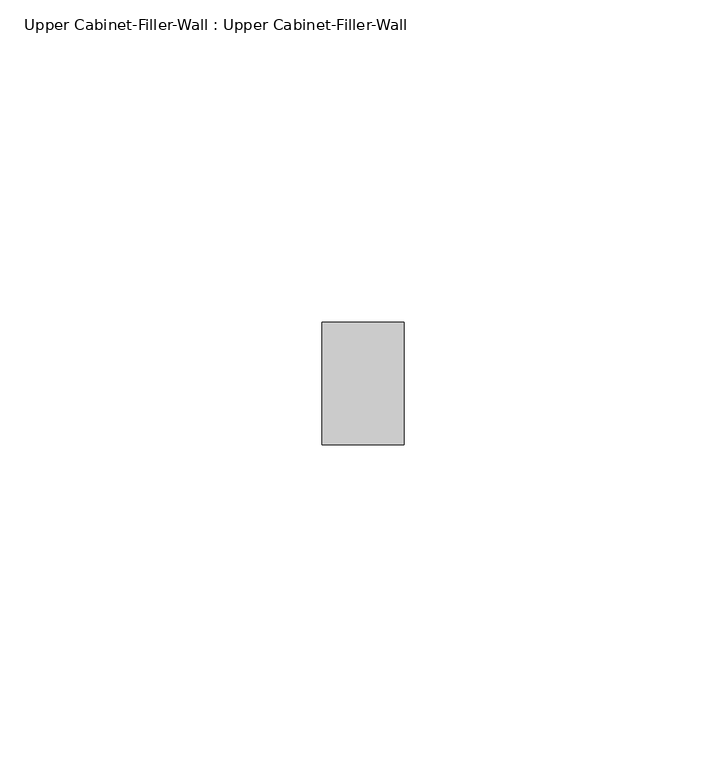
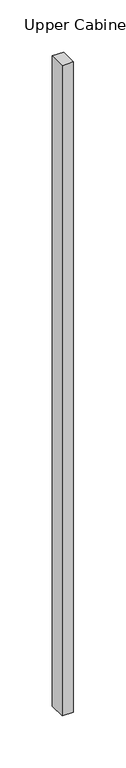
"""IFC4 building model written with IfcOpenShell, lengths in millimetres: furniture geometry, Upper Cabinet-Filler-Wall : Upper Cabinet-Filler-Wall."""

from ifc_helpers import new_model, si_unit, frame, origin, place, context, project, spatial, polyline, outline, extrude, source, transform, mapped, element, save


def upper_cabinet_filler_wall_upper_cabinet_filler_wall_4c98f6a9(model_context):
    return source(origin(), model_context, "Body", "SweptSolid", [
        extrude(outline(polyline([(23.4211628, 355.6), (23.4211628, 374.65), (36.1211628, 374.65), (36.1211628, 355.6), (23.4211628, 355.6)])), frame((0.0, 0.0, 1371.6), z_axis=(0.0, 0.0, 1.0), x_axis=(1.0, 0.0, 0.0)), (0.0, 0.0, 1.0), 762.0),
    ])


if __name__ == "__main__":
    model = new_model("IFC4")
    model_context = context("Model", 3, world=origin())
    ifc_project = project(units=[si_unit("LENGTHUNIT", "METRE", prefix="MILLI")], contexts=[model_context])
    site = spatial("IfcSite", under=ifc_project)
    building = spatial("IfcBuilding", under=site)
    placement = place(None, origin())
    upper_cabinet_filler_wall_upper_cabinet_filler_wall_shape = upper_cabinet_filler_wall_upper_cabinet_filler_wall_4c98f6a9(model_context)
    element("IfcFurniture", 1, ObjectType="Upper Cabinet-Filler-Wall : Upper Cabinet-Filler-Wall", at=placement, inside=building, context=model_context, shape_type="MappedRepresentation", body=[
        mapped(upper_cabinet_filler_wall_upper_cabinet_filler_wall_shape, transform((0.0, 0.0, 0.0), x_axis=(1.0, 0.0, 0.0), y_axis=(0.0, 1.0, 0.0), z_axis=(0.0, 0.0, 1.0))),
    ])
    save(model, "model.ifc")
